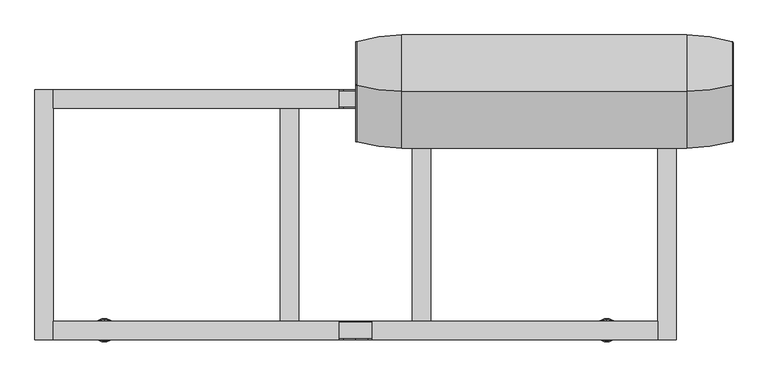
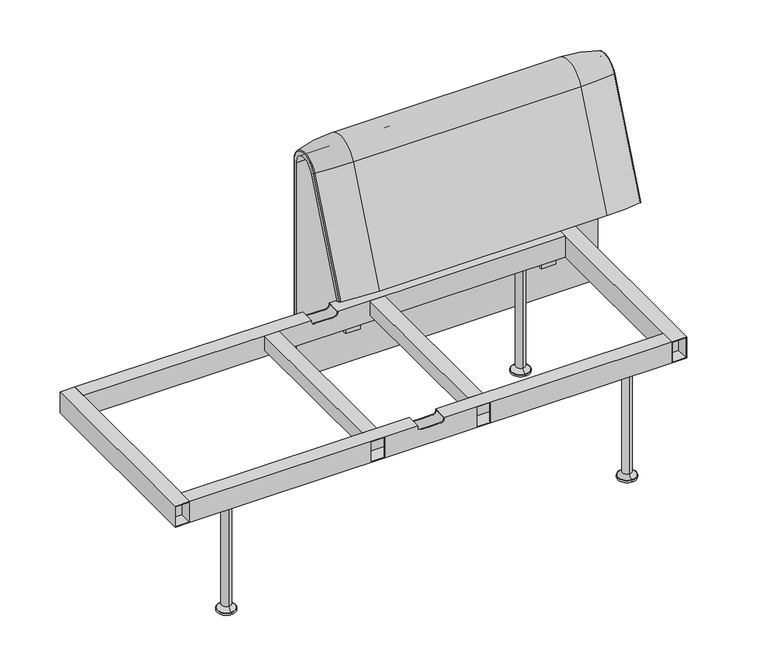
"""IFC4 building model written with IfcOpenShell, lengths in millimetres: furniture geometry."""

from ifc_helpers import new_model, si_unit, point, frame, frame_2d, origin, place, context, project, spatial, polyline, circle_curve, ellipse_curve, trimmed, segment, composite_curve, outline, extrude, source, transform, mapped, element, save
from ifc_brep_helpers import plane_surface, cylinder_surface, revolved_surface, advanced_brep


def furniture_db82925f(model_context):
    return source(origin(), model_context, "Body", "SolidModel", [
        extrude(outline(composite_curve([segment(trimmed(circle_curve(frame_2d((305.0000061, 379.9223263)), 30.0), [point((305.0000061, 349.9223263))], [point((335.0000061, 379.9223263))], True, "CARTESIAN"), True, "CONTINUOUS"), segment(polyline([(335.0000061, 379.9223263), (335.0000061, 515.0657595)]), True, "CONTINUOUS"), segment(trimmed(circle_curve(frame_2d((305.0000061, 515.0657595)), 30.0), [point((335.0000061, 515.0657595))], [point((316.7219399, 542.6809051))], True, "CARTESIAN"), True, "CONTINUOUS"), segment(polyline([(316.7219399, 542.6809051), (257.4911714, 567.8228747)]), True, "CONTINUOUS"), segment(trimmed(circle_curve(frame_2d((251.6302045, 554.0153019)), 15.0), [point((257.4911714, 567.8228747))], [point((238.0355877, 560.3545758))], True, "CARTESIAN"), True, "CONTINUOUS"), segment(polyline([(238.0355877, 560.3545758), (222.2725218, 526.5505721), (213.7507451, 529.5682915), (296.3054528, 724.0549949)]), True, "CONTINUOUS"), segment(trimmed(circle_curve(frame_2d((322.520748, 712.9272623)), 28.479258), [point((296.3054528, 724.0549949))], [point((351.0000061, 712.9272623))], False, "CARTESIAN"), True, "CONTINUOUS"), segment(polyline([(351.0000061, 712.9272623), (351.0000061, 197.0551771), (343.3075759, 197.0551771), (339.4064861, 271.492405)]), True, "CONTINUOUS"), segment(trimmed(circle_curve(frame_2d((309.4476, 269.9223263)), 30.0), [point((339.4064861, 271.492405))], [point((309.4476, 299.9223263))], True, "CARTESIAN"), True, "CONTINUOUS"), segment(polyline([(309.4476, 299.9223263), (270.0000061, 299.9223263), (270.0000061, 359.9223263), (275.0000061, 359.9223263)]), True, "CONTINUOUS"), segment(trimmed(circle_curve(frame_2d((285.0000061, 359.9223263)), 10.0), [point((275.0000061, 359.9223263))], [point((285.0000061, 349.9223263))], True, "CARTESIAN"), True, "CONTINUOUS"), segment(polyline([(285.0000061, 349.9223263), (305.0000061, 349.9223263)]), True, "CONTINUOUS")], self_intersect=False), holes=[composite_curve([segment(polyline([(337.5000061, 576.3274105), (337.5000061, 716.7072663)]), True, "CONTINUOUS"), segment(trimmed(circle_curve(frame_2d((322.5000061, 716.7072663)), 15.0), [point((337.5000061, 716.7072663))], [point((308.9053893, 723.0465402))], True, "CARTESIAN"), True, "CONTINUOUS"), segment(polyline([(308.9053893, 723.0465402), (253.6256191, 604.4986904)]), True, "CONTINUOUS"), segment(trimmed(circle_curve(frame_2d((271.7517748, 596.0463251)), 20.0), [point((253.6256191, 604.4986904))], [point((265.0756376, 577.1934953))], True, "CARTESIAN"), True, "CONTINUOUS"), segment(polyline([(265.0756376, 577.1934953), (314.1406626, 559.8186587)]), True, "CONTINUOUS"), segment(trimmed(circle_curve(frame_2d((319.9867182, 576.3274105)), 17.5132879), [point((314.1406626, 559.8186587))], [point((337.5000061, 576.3274105))], True, "CARTESIAN"), True, "CONTINUOUS")], self_intersect=False)]), frame((653.0019654, 0.0, 0.0), z_axis=(1.0, 0.0, 0.0), x_axis=(0.0, 1.0, 0.0)), (0.0, 0.0, 1.0), 40.0),
        advanced_brep(
        [(716.0143371, 388.2902376, 100.5089435), (813.8757086, 373.93893, 100.5089435), (816.0143371, 371.0652495, 100.5089435), (816.0143371, 359.7858817, 100.5089435), (0.0, 359.7858817, 100.5089435), (0.0, 371.0652495, 100.5089435), (2.1386285, 373.93893, 100.5089435), (100.0, 388.2902376, 100.5089435), (100.0, 388.2902376, 720.3417731), (716.0143371, 388.2902376, 720.3417731), (813.8757086, 373.93893, 720.3417731), (816.0143371, 371.0652495, 720.3417731), (816.0143371, 282.0164812, 738.0210907), (816.0143371, 159.7723383, 442.2908598), (816.0143371, 170.1962447, 437.9819952), (816.0143371, 292.4403877, 733.7122262), (816.0143371, 359.7858817, 720.3417731), (0.0, 359.7858817, 720.3417731), (716.0143371, 143.8537454, 448.8710282), (100.0, 143.8537454, 448.8710282), (2.1386285, 157.1166065, 443.3886429), (0.0, 159.7723383, 442.2908598), (0.0, 170.1962447, 437.9819952), (813.8757086, 157.1166065, 443.3886429), (716.0143371, 266.0978884, 744.6012592), (100.0, 266.0978884, 744.6012592), (813.8757086, 279.3607494, 739.1188739), (0.0, 292.4403877, 733.7122262), (0.0, 282.0164812, 738.0210907), (0.0, 371.0652495, 720.3417731), (2.1386285, 373.93893, 720.3417731), (2.1386285, 279.3607494, 739.1188739)],
        [
            (0, 1, circle_curve(frame((716.0143371, 47.4569043, 100.5089435), z_axis=(0.0, 0.0, -1.0), x_axis=(0.0, -1.0, 0.0)), 340.8333333)),
            (1, 2, circle_curve(frame((813.0143371, 371.0652495, 100.5089435), z_axis=(0.0, 0.0, -1.0), x_axis=(1.0, 0.0, 0.0)), 3.0)),
            (2, 3),
            (3, 4),
            (4, 5),
            (5, 6, circle_curve(frame((3.0, 371.0652495, 100.5089435), z_axis=(0.0, 0.0, -1.0), x_axis=(-1.0, 0.0, 0.0)), 3.0)),
            (6, 7, circle_curve(frame((100.0, 47.4569043, 100.5089435), z_axis=(0.0, 0.0, -1.0), x_axis=(0.0, -1.0, 0.0)), 340.8333333)),
            (7, 0),
            (7, 8),
            (8, 9),
            (9, 0),
            (9, 10, circle_curve(frame((716.0143371, 47.4569043, 720.3417731), z_axis=(0.0, 0.0, -1.0), x_axis=(0.0, -1.0, 0.0)), 340.8333333)),
            (10, 1),
            (10, 11, circle_curve(frame((813.0143371, 371.0652495, 720.3417731), z_axis=(0.0, 0.0, -1.0), x_axis=(1.0, 0.0, 0.0)), 3.0)),
            (11, 2),
            (11, 12, circle_curve(frame((816.0143371, 324.7858817, 720.3417731), z_axis=(1.0, 0.0, 0.0), x_axis=(0.0, 1.0, 0.0)), 46.2793679)),
            (12, 13),
            (13, 14),
            (14, 15),
            (15, 16, circle_curve(frame((816.0143371, 324.7858817, 720.3417731), z_axis=(-1.0, 0.0, 0.0), x_axis=(0.0, 1.0, 0.0)), 35.0)),
            (16, 3),
            (16, 17),
            (17, 4),
            (18, 19),
            (19, 20, circle_curve(frame((100.0, 458.8372467, 318.6682822), z_axis=(0.0, -0.38201294675155345, -0.9241569717933176), x_axis=(0.0, 0.9241569717933176, -0.38201294675155345)), 340.8333333)),
            (20, 21, circle_curve(frame((3.0, 159.7723383, 442.2908598), z_axis=(0.0, -0.38201294675155345, -0.9241569717933176), x_axis=(-1.0, 0.0, 0.0)), 3.0)),
            (21, 22),
            (22, 14),
            (13, 23, circle_curve(frame((813.0143371, 159.7723383, 442.2908598), z_axis=(0.0, -0.38201294675155345, -0.9241569717933176), x_axis=(1.0, 0.0, 0.0)), 3.0)),
            (23, 18, circle_curve(frame((716.0143371, 458.8372467, 318.6682822), z_axis=(0.0, -0.38201294675155345, -0.9241569717933176), x_axis=(0.0, 0.9241569717933176, -0.38201294675155345)), 340.8333333)),
            (24, 9, circle_curve(frame((716.0143371, 324.7858817, 720.3417731), z_axis=(-1.0, 0.0, 0.0), x_axis=(0.0, 1.0, 0.0)), 63.5043559)),
            (8, 25, circle_curve(frame((100.0, 324.7858817, 720.3417731), z_axis=(1.0, 0.0, 0.0), x_axis=(0.0, 1.0, 0.0)), 63.5043559)),
            (25, 24),
            (26, 10, circle_curve(frame((813.8757086, 324.7858817, 720.3417731), z_axis=(-1.0, 0.0, 0.0), x_axis=(0.0, 1.0, 0.0)), 49.1530483)),
            (24, 26, circle_curve(frame((716.0143371, 581.0813896, 614.3985132), z_axis=(0.0, 0.382012946751556, 0.9241569717933165), x_axis=(0.0, 0.9241569717933165, -0.382012946751556)), 340.8333333)),
            (26, 12, circle_curve(frame((813.0143371, 282.0164812, 738.0210907), z_axis=(0.0, 0.3820129467515552, 0.9241569717933168), x_axis=(1.0, 0.0, 0.0)), 3.0)),
            (27, 17, circle_curve(frame((0.0, 324.7858817, 720.3417731), z_axis=(-1.0, 0.0, 0.0), x_axis=(0.0, 1.0, 0.0)), 35.0)),
            (15, 27),
            (25, 19),
            (18, 24),
            (23, 26),
            (22, 27),
            (21, 28),
            (28, 29, circle_curve(frame((0.0, 324.7858817, 720.3417731), z_axis=(-1.0, 0.0, 0.0), x_axis=(0.0, 1.0, 0.0)), 46.2793679)),
            (29, 5),
            (29, 30, circle_curve(frame((3.0, 371.0652495, 720.3417731), z_axis=(0.0, 0.0, -1.0), x_axis=(-1.0, 0.0, 0.0)), 3.0)),
            (30, 6),
            (30, 8, circle_curve(frame((100.0, 47.4569043, 720.3417731), z_axis=(0.0, 0.0, -1.0), x_axis=(0.0, -1.0, 0.0)), 340.8333333)),
            (31, 30, circle_curve(frame((2.1386285, 324.7858817, 720.3417731), z_axis=(-1.0, 0.0, 0.0), x_axis=(0.0, 1.0, 0.0)), 49.1530483)),
            (28, 31, circle_curve(frame((3.0, 282.0164812, 738.0210907), z_axis=(0.0, 0.3820129467515544, 0.9241569717933172), x_axis=(-1.0, 0.0, 0.0)), 3.0)),
            (31, 25, circle_curve(frame((100.0, 581.0813896, 614.3985132), z_axis=(0.0, 0.3820129467515532, 0.9241569717933177), x_axis=(0.0, 0.9241569717933177, -0.3820129467515532)), 340.8333333)),
            (20, 31),
        ],
        [
            plane_surface(frame((412.7721918, 359.7858817, 100.5089435), z_axis=(0.0, 0.0, -1.0), x_axis=(1.0, 0.0, 0.0))),
            plane_surface(frame((100.0, 388.2902376, 100.5089435), z_axis=(0.0, 1.0, 0.0), x_axis=(0.0, 0.0, 1.0))),
            cylinder_surface(frame((716.0143371, 47.4569043, 100.5089435), z_axis=(0.0, 0.0, -1.0), x_axis=(0.0, -1.0, 0.0)), 340.8333333),
            cylinder_surface(frame((813.0143371, 371.0652495, 100.5089435), z_axis=(0.0, 0.0, -1.0), x_axis=(1.0, 0.0, 0.0)), 3.0),
            plane_surface(frame((816.0143371, 371.0652495, 100.5089435), z_axis=(1.0, 0.0, 0.0), x_axis=(0.0, 0.0, 1.0))),
            plane_surface(frame((816.0143371, 359.7858817, 100.5089435), z_axis=(0.0, -1.0, 0.0), x_axis=(0.0, 0.0, 1.0))),
            plane_surface(frame((412.7721918, 170.1962447, 437.9819952), z_axis=(0.0, -0.38201294675155345, -0.9241569717933176), x_axis=(1.0, 0.0, 0.0))),
            cylinder_surface(frame((412.7721918, 324.7858817, 720.3417731), z_axis=(1.0, 0.0, 0.0), x_axis=(0.0, 1.0, 0.0)), 63.5043559),
            revolved_surface(trimmed(ellipse_curve(frame((716.0143371, 47.4569043, 720.3417731), z_axis=(0.0, 0.0, -1.0), x_axis=(0.0, -1.0, 0.0)), 340.8333333, 340.8333333), [point((716.0143371, 388.2902376, 720.3417731))], [point((813.8757086, 373.93893, 720.3417731))], True, "CARTESIAN"), (412.7721918, 324.7858817, 720.3417731), (1.0, 0.0, 0.0)),
            revolved_surface(trimmed(ellipse_curve(frame((813.0143371, 371.0652495, 720.3417731), z_axis=(0.0, 0.0, -1.0), x_axis=(1.0, 0.0, 0.0)), 3.0, 3.0), [point((813.8757086, 373.93893, 720.3417731))], [point((816.0143371, 371.0652495, 720.3417731))], True, "CARTESIAN"), (412.7721918, 324.7858817, 720.3417731), (1.0, 0.0, 0.0)),
            revolved_surface(polyline([(816.0143371, 359.7858817, 720.3417731), (0.0, 359.7858817, 720.3417731)]), (412.7721918, 324.7858817, 720.3417731), (1.0, 0.0, 0.0)),
            plane_surface(frame((100.0, 266.0978884, 744.6012592), z_axis=(0.0, -0.9241569717933176, 0.38201294675155356), x_axis=(0.0, -0.38201294675155356, -0.9241569717933176))),
            cylinder_surface(frame((716.0143371, 581.0813896, 614.3985132), z_axis=(0.0, 0.38201294675155345, 0.9241569717933176), x_axis=(0.0, 0.9241569717933176, -0.38201294675155345)), 340.8333333),
            cylinder_surface(frame((813.0143371, 282.0164812, 738.0210907), z_axis=(0.0, 0.38201294675155345, 0.9241569717933176), x_axis=(1.0, 0.0, 0.0)), 3.0),
            plane_surface(frame((816.0143371, 292.4403877, 733.7122262), z_axis=(0.0, 0.9241569717933176, -0.38201294675155356), x_axis=(0.0, -0.38201294675155356, -0.9241569717933176))),
            plane_surface(frame((0.0, 359.7858817, 100.5089435), z_axis=(-1.0, 0.0, 0.0), x_axis=(0.0, 0.0, 1.0))),
            cylinder_surface(frame((3.0, 371.0652495, 100.5089435), z_axis=(0.0, 0.0, -1.0), x_axis=(-1.0, 0.0, 0.0)), 3.0),
            cylinder_surface(frame((100.0, 47.4569043, 100.5089435), z_axis=(0.0, 0.0, -1.0), x_axis=(0.0, -1.0, 0.0)), 340.8333333),
            revolved_surface(trimmed(ellipse_curve(frame((3.0, 371.0652495, 720.3417731), z_axis=(0.0, 0.0, -1.0), x_axis=(-1.0, 0.0, 0.0)), 3.0, 3.0), [point((0.0, 371.0652495, 720.3417731))], [point((2.1386285, 373.93893, 720.3417731))], True, "CARTESIAN"), (412.7721918, 324.7858817, 720.3417731), (1.0, 0.0, 0.0)),
            revolved_surface(trimmed(ellipse_curve(frame((100.0, 47.4569043, 720.3417731), z_axis=(0.0, 0.0, -1.0), x_axis=(0.0, -1.0, 0.0)), 340.8333333, 340.8333333), [point((2.1386285, 373.93893, 720.3417731))], [point((100.0, 388.2902376, 720.3417731))], True, "CARTESIAN"), (412.7721918, 324.7858817, 720.3417731), (1.0, 0.0, 0.0)),
            cylinder_surface(frame((3.0, 282.0164812, 738.0210907), z_axis=(0.0, 0.38201294675155345, 0.9241569717933176), x_axis=(-1.0, 0.0, 0.0)), 3.0),
            cylinder_surface(frame((100.0, 581.0813896, 614.3985132), z_axis=(0.0, 0.38201294675155345, 0.9241569717933176), x_axis=(0.0, 0.9241569717933176, -0.38201294675155345)), 340.8333333),
        ],
        [
            (0, [[1, 2, 3, 4, 5, 6, 7, 8]]),
            (1, [[-8, 9, 10, 11]]),
            (2, [[-1, -11, 12, 13]]),
            (3, [[-2, -13, 14, 15]]),
            (4, [[-3, -15, 16, 17, 18, 19, 20, 21]]),
            (5, [[-4, -21, 22, 23]]),
            (6, [[24, 25, 26, 27, 28, -18, 29, 30]]),
            (7, [[31, -10, 32, 33]]),
            (8, [[34, -12, -31, 35]]),
            (9, [[-16, -14, -34, 36]]),
            (10, [[37, -22, -20, 38]]),
            (11, [[-33, 39, -24, 40]]),
            (12, [[-35, -40, -30, 41]]),
            (13, [[-36, -41, -29, -17]]),
            (14, [[-38, -19, -28, 42]]),
            (15, [[-5, -23, -37, -42, -27, 43, 44, 45]]),
            (16, [[-6, -45, 46, 47]]),
            (17, [[-7, -47, 48, -9]]),
            (18, [[49, -46, -44, 50]]),
            (19, [[-32, -48, -49, 51]]),
            (20, [[-50, -43, -26, 52]]),
            (21, [[-51, -52, -25, -39]]),
        ],
    ),
        extrude(outline(composite_curve([segment(trimmed(circle_curve(frame_2d((305.0000061, 379.9223263)), 30.0), [point((305.0000061, 349.9223263))], [point((335.0000061, 379.9223263))], True, "CARTESIAN"), True, "CONTINUOUS"), segment(polyline([(335.0000061, 379.9223263), (335.0000061, 515.0657595)]), True, "CONTINUOUS"), segment(trimmed(circle_curve(frame_2d((305.0000061, 515.0657595)), 30.0), [point((335.0000061, 515.0657595))], [point((316.7219399, 542.6809051))], True, "CARTESIAN"), True, "CONTINUOUS"), segment(polyline([(316.7219399, 542.6809051), (257.4911714, 567.8228747)]), True, "CONTINUOUS"), segment(trimmed(circle_curve(frame_2d((251.6302045, 554.0153019)), 15.0), [point((257.4911714, 567.8228747))], [point((238.0355877, 560.3545758))], True, "CARTESIAN"), True, "CONTINUOUS"), segment(polyline([(238.0355877, 560.3545758), (222.2725218, 526.5505721), (213.7507451, 529.5682915), (296.3054528, 724.0549949)]), True, "CONTINUOUS"), segment(trimmed(circle_curve(frame_2d((322.520748, 712.9272623)), 28.479258), [point((296.3054528, 724.0549949))], [point((351.0000061, 712.9272623))], False, "CARTESIAN"), True, "CONTINUOUS"), segment(polyline([(351.0000061, 712.9272623), (351.0000061, 197.0551771), (343.3075759, 197.0551771), (339.4064861, 271.492405)]), True, "CONTINUOUS"), segment(trimmed(circle_curve(frame_2d((309.4476, 269.9223263)), 30.0), [point((339.4064861, 271.492405))], [point((309.4476, 299.9223263))], True, "CARTESIAN"), True, "CONTINUOUS"), segment(polyline([(309.4476, 299.9223263), (270.0000061, 299.9223263), (270.0000061, 359.9223263), (275.0000061, 359.9223263)]), True, "CONTINUOUS"), segment(trimmed(circle_curve(frame_2d((285.0000061, 359.9223263)), 10.0), [point((275.0000061, 359.9223263))], [point((285.0000061, 349.9223263))], True, "CARTESIAN"), True, "CONTINUOUS"), segment(polyline([(285.0000061, 349.9223263), (305.0000061, 349.9223263)]), True, "CONTINUOUS")], self_intersect=False), holes=[composite_curve([segment(polyline([(337.5000061, 576.3274105), (337.5000061, 716.7072663)]), True, "CONTINUOUS"), segment(trimmed(circle_curve(frame_2d((322.5000061, 716.7072663)), 15.0), [point((337.5000061, 716.7072663))], [point((308.9053893, 723.0465402))], True, "CARTESIAN"), True, "CONTINUOUS"), segment(polyline([(308.9053893, 723.0465402), (253.6256191, 604.4986904)]), True, "CONTINUOUS"), segment(trimmed(circle_curve(frame_2d((271.7517748, 596.0463251)), 20.0), [point((253.6256191, 604.4986904))], [point((265.0756376, 577.1934953))], True, "CARTESIAN"), True, "CONTINUOUS"), segment(polyline([(265.0756376, 577.1934953), (314.1406626, 559.8186587)]), True, "CONTINUOUS"), segment(trimmed(circle_curve(frame_2d((319.9867182, 576.3274105)), 17.5132879), [point((314.1406626, 559.8186587))], [point((337.5000061, 576.3274105))], True, "CARTESIAN"), True, "CONTINUOUS")], self_intersect=False)]), frame((123.0123717, 0.0, 0.0), z_axis=(1.0, 0.0, 0.0), x_axis=(0.0, 1.0, 0.0)), (0.0, 0.0, 1.0), 40.0),
        extrude(outline(polyline([(654.9772215, 236.0000008), (690.9659032, 236.0000008), (690.9659032, 232.0000015), (654.9772215, 232.0000015), (654.9772215, 236.0000008)])), frame((0.0, 0.0, 301.9086098), z_axis=(0.0, 0.0, 1.0), x_axis=(1.0, 0.0, 0.0)), (0.0, 0.0, 1.0), 56.013824),
        extrude(outline(polyline([(654.9772215, -236.0000008), (654.9772215, -232.0000015), (690.9659032, -232.0000015), (690.9659032, -236.0000008), (654.9772215, -236.0000008)])), frame((0.0, 0.0, 301.9086098), z_axis=(0.0, 0.0, 1.0), x_axis=(1.0, 0.0, 0.0)), (0.0, 0.0, 1.0), 56.013824),
        extrude(outline(polyline([(-654.9772215, -236.0000008), (-690.9659032, -236.0000008), (-690.9659032, -232.0000015), (-654.9772215, -232.0000015), (-654.9772215, -236.0000008)])), frame((0.0, 0.0, 301.9086098), z_axis=(0.0, 0.0, 1.0), x_axis=(1.0, 0.0, 0.0)), (0.0, 0.0, 1.0), 56.013824),
        extrude(outline(polyline([(-654.9772215, 236.0000008), (-654.9772215, 232.0000015), (-690.9659032, 232.0000015), (-690.9659032, 236.0000008), (-654.9772215, 236.0000008)])), frame((0.0, 0.0, 301.9086098), z_axis=(0.0, 0.0, 1.0), x_axis=(1.0, 0.0, 0.0)), (0.0, 0.0, 1.0), 56.013824),
        advanced_brep(
        [(0.0, -230.0000056, 346.6346058), (0.0, -232.0000018, 346.6346058), (25.9966488, -232.0000018, 346.6346058), (25.9966488, -230.0000056, 346.6346058), (0.0, -268.0000023, 346.6346058), (0.0, -270.0000061, 346.6346058), (25.9966488, -270.0000061, 346.6346058), (25.9966488, -268.0000023, 346.6346058), (35.9966488, -232.0000018, 356.6346058), (35.9966488, -230.0000056, 356.6346058), (35.9966488, -270.0000061, 356.6346058), (35.9966488, -268.0000023, 356.6346058), (35.9966488, -232.0000018, 357.9224338), (35.9966488, -268.0000023, 357.9224338), (35.9966488, -270.0000061, 359.922434), (35.9966488, -230.0000056, 359.922434), (-35.9966488, -232.0000018, 356.6346058), (-35.9966488, -230.0000056, 356.6346058), (-35.9966488, -230.0000056, 359.922434), (-35.9966488, -270.0000061, 359.922434), (-35.9966488, -270.0000061, 356.6346058), (-35.9966488, -268.0000023, 356.6346058), (-35.9966488, -268.0000023, 357.9224338), (-35.9966488, -232.0000018, 357.9224338), (-25.9966488, -230.0000056, 346.6346058), (-25.9966488, -232.0000018, 346.6346058), (-25.9966488, -268.0000023, 346.6346058), (-25.9966488, -270.0000061, 346.6346058), (652.9916052, -230.0000056, 359.922434), (652.9916052, -270.0000061, 359.922434), (652.9916052, -270.0000061, 299.9223263), (652.9916052, -230.0000056, 299.9223263), (652.9916052, -268.0000023, 301.9086098), (652.9916052, -268.0000023, 357.9224338), (652.9916052, -232.0000018, 357.9224338), (652.9916052, -232.0000018, 301.9086098), (-652.9916052, -230.0000056, 359.922434), (-652.9916052, -230.0000056, 299.9223263), (-652.9916052, -270.0000061, 299.9223263), (-652.9916052, -270.0000061, 359.922434), (-652.9916052, -268.0000023, 301.9086098), (-652.9916052, -232.0000018, 301.9086098), (-652.9916052, -232.0000018, 357.9224338), (-652.9916052, -268.0000023, 357.9224338), (124.9814439, -270.0000061, 357.9224338), (160.9701256, -270.0000061, 357.9224338), (160.9701256, -270.0000061, 301.9086098), (124.9814439, -270.0000061, 301.9086098), (-160.9701256, -270.0000061, 357.9224338), (-124.9814439, -270.0000061, 357.9224338), (-124.9814439, -270.0000061, 301.9086098), (-160.9701256, -270.0000061, 301.9086098), (-160.9701256, -268.0000023, 301.9086098), (-124.9814439, -268.0000023, 301.9086098), (124.9814439, -268.0000023, 301.9086098), (160.9701256, -268.0000023, 301.9086098), (160.9701256, -268.0000023, 357.9224338), (124.9814439, -268.0000023, 357.9224338), (-124.9814439, -268.0000023, 357.9224338), (-160.9701256, -268.0000023, 357.9224338)],
        [
            (0, 1),
            (1, 2),
            (2, 3),
            (3, 0),
            (4, 5),
            (5, 6),
            (6, 7),
            (7, 4),
            (2, 8, circle_curve(frame((25.9966488, -232.0000018, 356.6346058), z_axis=(0.0, -1.0, 0.0), x_axis=(-1.0, 0.0, 0.0)), 10.0)),
            (8, 9),
            (9, 3, circle_curve(frame((25.9966488, -230.0000056, 356.6346058), z_axis=(0.0, 1.0, 0.0), x_axis=(-1.0, 0.0, 0.0)), 10.0)),
            (6, 10, circle_curve(frame((25.9966488, -270.0000061, 356.6346058), z_axis=(0.0, -1.0, 0.0), x_axis=(-1.0, 0.0, 0.0)), 10.0)),
            (10, 11),
            (11, 7, circle_curve(frame((25.9966488, -268.0000023, 356.6346058), z_axis=(0.0, 1.0, 0.0), x_axis=(-1.0, 0.0, 0.0)), 10.0)),
            (8, 12),
            (12, 13),
            (13, 11),
            (10, 14),
            (14, 15),
            (15, 9),
            (16, 17),
            (17, 18),
            (18, 19),
            (19, 20),
            (20, 21),
            (21, 22),
            (22, 23),
            (23, 16),
            (0, 24),
            (24, 25),
            (25, 1),
            (4, 26),
            (26, 27),
            (27, 5),
            (28, 29),
            (29, 30),
            (30, 31),
            (31, 28),
            (32, 33),
            (33, 34),
            (34, 35),
            (35, 32),
            (36, 37),
            (37, 38),
            (38, 39),
            (39, 36),
            (40, 41),
            (41, 42),
            (42, 43),
            (43, 40),
            (31, 37),
            (36, 18),
            (17, 24, circle_curve(frame((-25.9966488, -230.0000056, 356.6346058), z_axis=(0.0, -1.0, 0.0), x_axis=(1.0, 0.0, 0.0)), 10.0)),
            (15, 28),
            (30, 38),
            (29, 14),
            (27, 20, circle_curve(frame((-25.9966488, -270.0000061, 356.6346058), z_axis=(0.0, 1.0, 0.0), x_axis=(1.0, 0.0, 0.0)), 10.0)),
            (19, 39),
            (44, 45),
            (45, 46),
            (46, 47),
            (47, 44),
            (48, 49),
            (49, 50),
            (50, 51),
            (51, 48),
            (35, 41),
            (40, 52),
            (52, 51),
            (50, 53),
            (53, 54),
            (54, 47),
            (46, 55),
            (55, 32),
            (34, 12),
            (25, 16, circle_curve(frame((-25.9966488, -232.0000018, 356.6346058), z_axis=(0.0, 1.0, 0.0), x_axis=(1.0, 0.0, 0.0)), 10.0)),
            (23, 42),
            (33, 56),
            (56, 45),
            (44, 57),
            (57, 13),
            (22, 58),
            (58, 49),
            (48, 59),
            (59, 43),
            (55, 56),
            (59, 52),
            (57, 54),
            (53, 58),
            (21, 26, circle_curve(frame((-25.9966488, -268.0000023, 356.6346058), z_axis=(0.0, -1.0, 0.0), x_axis=(1.0, 0.0, 0.0)), 10.0)),
        ],
        [
            plane_surface(frame((0.0, -287.5262628, 346.6346058), z_axis=(0.0, 0.0, 1.0), x_axis=(0.0, 1.0, 0.0))),
            revolved_surface(polyline([(15.9966488, -232.0000018, 356.6346058), (15.9966488, -230.00000560000007, 356.6346058)]), (25.9966488, 314.3107458, 356.6346058), (0.0, -1.0, 0.0)),
            revolved_surface(polyline([(15.9966488, -270.0000061, 356.6346058), (15.9966488, -268.00000229999995, 356.6346058)]), (25.9966488, 314.3107458, 356.6346058), (0.0, -1.0, 0.0)),
            plane_surface(frame((35.9966488, -287.5262628, 356.6346058), z_axis=(-1.0, 0.0, 0.0), x_axis=(0.0, 1.0, 0.0))),
            plane_surface(frame((-35.9966488, -287.5262628, 378.869628), z_axis=(1.0, 0.0, 0.0), x_axis=(0.0, 1.0, 0.0))),
            plane_surface(frame((-25.9966488, -287.5262628, 346.6346058), z_axis=(0.0, 0.0, 1.0), x_axis=(0.0, 1.0, 0.0))),
            plane_surface(frame((652.9916052, -270.0000061, 359.922434), z_axis=(1.0, 0.0, 0.0), x_axis=(0.0, -1.0, 0.0))),
            plane_surface(frame((-652.9916052, -270.0000061, 359.922434), z_axis=(-1.0, 0.0, 0.0), x_axis=(0.0, 1.0, 0.0))),
            plane_surface(frame((652.9916052, -230.0000056, 299.9223263), z_axis=(0.0, 1.0, 0.0), x_axis=(-1.0, 0.0, 0.0))),
            plane_surface(frame((652.9916052, -270.0000061, 299.9223263), z_axis=(0.0, 0.0, -1.0), x_axis=(-1.0, 0.0, 0.0))),
            plane_surface(frame((652.9916052, -270.0000061, 359.922434), z_axis=(0.0, -1.0, 0.0), x_axis=(-1.0, 0.0, 0.0))),
            plane_surface(frame((652.9916052, -230.0000056, 359.922434), z_axis=(0.0, 0.0, 1.0), x_axis=(-1.0, 0.0, 0.0))),
            plane_surface(frame((652.9916052, -232.0000018, 301.9086098), z_axis=(0.0, 0.0, 1.0), x_axis=(-1.0, 0.0, 0.0))),
            plane_surface(frame((652.9916052, -232.0000018, 357.9224338), z_axis=(0.0, -1.0, 0.0), x_axis=(-1.0, 0.0, 0.0))),
            plane_surface(frame((652.9916052, -268.0000023, 357.9224338), z_axis=(0.0, 0.0, -1.0), x_axis=(-1.0, 0.0, 0.0))),
            plane_surface(frame((652.9916052, -268.0000023, 301.9086098), z_axis=(0.0, 1.0, 0.0), x_axis=(-1.0, 0.0, 0.0))),
            plane_surface(frame((160.9701256, -282.4008656, 301.9086098), z_axis=(-1.0, 0.0, 0.0), x_axis=(0.0, 1.0, 0.0))),
            plane_surface(frame((124.9814439, -282.4008656, 357.9224338), z_axis=(1.0, 0.0, 0.0), x_axis=(0.0, 1.0, 0.0))),
            plane_surface(frame((-160.9701256, -282.4008656, 357.9224338), z_axis=(1.0, 0.0, 0.0), x_axis=(0.0, 1.0, 0.0))),
            plane_surface(frame((-124.9814439, -282.4008656, 301.9086098), z_axis=(-1.0, 0.0, 0.0), x_axis=(0.0, 1.0, 0.0))),
            revolved_surface(polyline([(-15.9966488, -232.0000018, 356.6346058), (-15.9966488, -230.00000560000007, 356.6346058)]), (-25.9966488, 314.3107458, 356.6346058), (0.0, -1.0, 0.0)),
            revolved_surface(polyline([(-15.9966488, -270.0000061, 356.6346058), (-15.9966488, -268.00000229999995, 356.6346058)]), (-25.9966488, 314.3107458, 356.6346058), (0.0, -1.0, 0.0)),
        ],
        [
            (0, [[1, 2, 3, 4]]),
            (0, [[5, 6, 7, 8]]),
            (1, [[-3, 9, 10, 11]]),
            (2, [[-7, 12, 13, 14]]),
            (3, [[-10, 15, 16, 17, -13, 18, 19, 20]]),
            (4, [[21, 22, 23, 24, 25, 26, 27, 28]]),
            (5, [[-1, 29, 30, 31]]),
            (5, [[-5, 32, 33, 34]]),
            (6, [[35, 36, 37, 38], [39, 40, 41, 42]]),
            (7, [[43, 44, 45, 46], [47, 48, 49, 50]]),
            (8, [[-38, 51, -43, 52, -22, 53, -29, -4, -11, -20, 54]]),
            (9, [[-37, 55, -44, -51]]),
            (10, [[-36, 56, -18, -12, -6, -34, 57, -24, 58, -45, -55], [59, 60, 61, 62], [63, 64, 65, 66]]),
            (11, [[-35, -54, -19, -56]]),
            (11, [[-46, -58, -23, -52]]),
            (12, [[-42, 67, -47, 68, 69, -65, 70, 71, 72, -61, 73, 74]]),
            (13, [[-41, 75, -15, -9, -2, -31, 76, -28, 77, -48, -67]]),
            (14, [[-40, 78, 79, -59, 80, 81, -16, -75]]),
            (14, [[-49, -77, -27, 82, 83, -63, 84, 85]]),
            (15, [[-39, -74, 86, -78]]),
            (15, [[-50, -85, 87, -68]]),
            (15, [[-8, -14, -17, -81, 88, -71, 89, -82, -26, 90, -32]]),
            (16, [[-79, -86, -73, -60]]),
            (17, [[-72, -88, -80, -62]]),
            (18, [[-84, -66, -69, -87]]),
            (19, [[-83, -89, -70, -64]]),
            (20, [[-30, -53, -21, -76]]),
            (21, [[-33, -90, -25, -57]]),
        ],
    ),
        advanced_brep(
        [(652.9916052, 230.0000056, 359.922434), (652.9916052, 230.0000056, 299.9223263), (652.9916052, 270.0000061, 299.9223263), (652.9916052, 270.0000061, 359.922434), (652.9916052, 268.0000023, 301.9086098), (652.9916052, 232.0000018, 301.9086098), (652.9916052, 232.0000018, 357.9224338), (652.9916052, 268.0000023, 357.9224338), (-652.9916052, 230.0000056, 359.922434), (-652.9916052, 270.0000061, 359.922434), (-652.9916052, 270.0000061, 299.9223263), (-652.9916052, 230.0000056, 299.9223263), (-652.9916052, 268.0000023, 301.9086098), (-652.9916052, 268.0000023, 357.9224338), (-652.9916052, 232.0000018, 357.9224338), (-652.9916052, 232.0000018, 301.9086098), (35.9966488, 230.0000056, 359.922434), (35.9966488, 230.0000056, 356.6346058), (25.9966488, 230.0000056, 346.6346058), (0.0, 230.0000056, 346.6346058), (-25.9966488, 230.0000056, 346.6346058), (-35.9966488, 230.0000056, 356.6346058), (-35.9966488, 230.0000056, 359.922434), (-35.9966488, 270.0000061, 359.922434), (-35.9966488, 270.0000061, 356.6346058), (-25.9966488, 270.0000061, 346.6346058), (0.0, 270.0000061, 346.6346058), (25.9966488, 270.0000061, 346.6346058), (35.9966488, 270.0000061, 356.6346058), (35.9966488, 270.0000061, 359.922434), (-124.9814439, 270.0000061, 357.9224338), (-160.9701256, 270.0000061, 357.9224338), (-160.9701256, 270.0000061, 301.9086098), (-124.9814439, 270.0000061, 301.9086098), (160.9701256, 270.0000061, 357.9224338), (124.9814439, 270.0000061, 357.9224338), (124.9814439, 270.0000061, 301.9086098), (160.9701256, 270.0000061, 301.9086098), (0.0, 232.0000018, 346.6346058), (25.9966488, 232.0000018, 346.6346058), (0.0, 268.0000023, 346.6346058), (25.9966488, 268.0000023, 346.6346058), (35.9966488, 232.0000018, 356.6346058), (35.9966488, 268.0000023, 356.6346058), (35.9966488, 268.0000023, 357.9224338), (35.9966488, 232.0000018, 357.9224338), (-35.9966488, 232.0000018, 356.6346058), (-35.9966488, 232.0000018, 357.9224338), (-35.9966488, 268.0000023, 357.9224338), (-35.9966488, 268.0000023, 356.6346058), (-25.9966488, 232.0000018, 346.6346058), (-25.9966488, 268.0000023, 346.6346058), (160.9701256, 268.0000023, 301.9086098), (124.9814439, 268.0000023, 301.9086098), (-124.9814439, 268.0000023, 301.9086098), (-160.9701256, 268.0000023, 301.9086098), (124.9814439, 268.0000023, 357.9224338), (160.9701256, 268.0000023, 357.9224338), (-160.9701256, 268.0000023, 357.9224338), (-124.9814439, 268.0000023, 357.9224338)],
        [
            (0, 1),
            (1, 2),
            (2, 3),
            (3, 0),
            (4, 5),
            (5, 6),
            (6, 7),
            (7, 4),
            (8, 9),
            (9, 10),
            (10, 11),
            (11, 8),
            (12, 13),
            (13, 14),
            (14, 15),
            (15, 12),
            (0, 16),
            (16, 17),
            (17, 18, circle_curve(frame((25.9966488, 230.0000056, 356.6346058), z_axis=(0.0, 1.0, 0.0), x_axis=(-1.0, 0.0, 0.0)), 10.0)),
            (18, 19),
            (19, 20),
            (20, 21, circle_curve(frame((-25.9966488, 230.0000056, 356.6346058), z_axis=(0.0, 1.0, 0.0), x_axis=(1.0, 0.0, 0.0)), 10.0)),
            (21, 22),
            (22, 8),
            (11, 1),
            (10, 2),
            (9, 23),
            (23, 24),
            (24, 25, circle_curve(frame((-25.9966488, 270.0000061, 356.6346058), z_axis=(0.0, -1.0, 0.0), x_axis=(1.0, 0.0, 0.0)), 10.0)),
            (25, 26),
            (26, 27),
            (27, 28, circle_curve(frame((25.9966488, 270.0000061, 356.6346058), z_axis=(0.0, -1.0, 0.0), x_axis=(-1.0, 0.0, 0.0)), 10.0)),
            (28, 29),
            (29, 3),
            (30, 31),
            (31, 32),
            (32, 33),
            (33, 30),
            (34, 35),
            (35, 36),
            (36, 37),
            (37, 34),
            (29, 16),
            (22, 23),
            (38, 19),
            (18, 39),
            (39, 38),
            (26, 40),
            (40, 41),
            (41, 27),
            (17, 42),
            (42, 39, circle_curve(frame((25.9966488, 232.0000018, 356.6346058), z_axis=(0.0, 1.0, 0.0), x_axis=(-1.0, 0.0, 0.0)), 10.0)),
            (41, 43, circle_curve(frame((25.9966488, 268.0000023, 356.6346058), z_axis=(0.0, -1.0, 0.0), x_axis=(-1.0, 0.0, 0.0)), 10.0)),
            (43, 28),
            (43, 44),
            (44, 45),
            (45, 42),
            (21, 46),
            (46, 47),
            (47, 48),
            (48, 49),
            (49, 24),
            (38, 50),
            (50, 20),
            (25, 51),
            (51, 40),
            (4, 52),
            (52, 37),
            (36, 53),
            (53, 54),
            (54, 33),
            (32, 55),
            (55, 12),
            (15, 5),
            (14, 47),
            (46, 50, circle_curve(frame((-25.9966488, 232.0000018, 356.6346058), z_axis=(0.0, -1.0, 0.0), x_axis=(1.0, 0.0, 0.0)), 10.0)),
            (45, 6),
            (44, 56),
            (56, 35),
            (34, 57),
            (57, 7),
            (13, 58),
            (58, 31),
            (30, 59),
            (59, 48),
            (57, 52),
            (55, 58),
            (51, 49, circle_curve(frame((-25.9966488, 268.0000023, 356.6346058), z_axis=(0.0, 1.0, 0.0), x_axis=(1.0, 0.0, 0.0)), 10.0)),
            (59, 54),
            (53, 56),
        ],
        [
            plane_surface(frame((652.9916052, 230.0000056, 319.6891771), z_axis=(1.0, 0.0, 0.0), x_axis=(0.0, 0.0, -1.0))),
            plane_surface(frame((-652.9916052, 230.0000056, 319.6891771), z_axis=(-1.0, 0.0, 0.0), x_axis=(0.0, 0.0, 1.0))),
            plane_surface(frame((652.9916052, 230.0000056, 359.922434), z_axis=(0.0, -1.0, 0.0), x_axis=(-1.0, 0.0, 0.0))),
            plane_surface(frame((652.9916052, 230.0000056, 299.9223263), z_axis=(0.0, 0.0, -1.0), x_axis=(-1.0, 0.0, 0.0))),
            plane_surface(frame((652.9916052, 270.0000061, 299.9223263), z_axis=(0.0, 1.0, 0.0), x_axis=(-1.0, 0.0, 0.0))),
            plane_surface(frame((652.9916052, 270.0000061, 359.922434), z_axis=(0.0, 0.0, 1.0), x_axis=(-1.0, 0.0, 0.0))),
            plane_surface(frame((0.0, -287.5262628, 346.6346058), z_axis=(0.0, 0.0, 1.0), x_axis=(0.0, 1.0, 0.0))),
            revolved_surface(polyline([(15.9966488, 230.0000056, 356.6346058), (15.9966488, 232.0000018, 356.6346058)]), (25.9966488, 314.3107458, 356.6346058), (0.0, -1.0, 0.0)),
            revolved_surface(polyline([(15.9966488, 268.0000023, 356.6346058), (15.9966488, 270.0000061, 356.6346058)]), (25.9966488, 314.3107458, 356.6346058), (0.0, -1.0, 0.0)),
            plane_surface(frame((35.9966488, -287.5262628, 356.6346058), z_axis=(-1.0, 0.0, 0.0), x_axis=(0.0, 1.0, 0.0))),
            plane_surface(frame((-35.9966488, -287.5262628, 378.869628), z_axis=(1.0, 0.0, 0.0), x_axis=(0.0, 1.0, 0.0))),
            plane_surface(frame((-25.9966488, -287.5262628, 346.6346058), z_axis=(0.0, 0.0, 1.0), x_axis=(0.0, 1.0, 0.0))),
            plane_surface(frame((652.9916052, 268.0000023, 301.9086098), z_axis=(0.0, 0.0, 1.0), x_axis=(-1.0, 0.0, 0.0))),
            plane_surface(frame((652.9916052, 232.0000018, 301.9086098), z_axis=(0.0, 1.0, 0.0), x_axis=(-1.0, 0.0, 0.0))),
            plane_surface(frame((652.9916052, 232.0000018, 357.9224338), z_axis=(0.0, 0.0, -1.0), x_axis=(-1.0, 0.0, 0.0))),
            plane_surface(frame((652.9916052, 268.0000023, 357.9224338), z_axis=(0.0, -1.0, 0.0), x_axis=(-1.0, 0.0, 0.0))),
            plane_surface(frame((-160.9701256, 282.4008656, 301.9086098), z_axis=(1.0, 0.0, 0.0), x_axis=(0.0, -1.0, 0.0))),
            plane_surface(frame((-124.9814439, 282.4008656, 357.9224338), z_axis=(-1.0, 0.0, 0.0), x_axis=(0.0, -1.0, 0.0))),
            plane_surface(frame((160.9701256, 282.4008656, 357.9224338), z_axis=(-1.0, 0.0, 0.0), x_axis=(0.0, -1.0, 0.0))),
            plane_surface(frame((124.9814439, 282.4008656, 301.9086098), z_axis=(1.0, 0.0, 0.0), x_axis=(0.0, -1.0, 0.0))),
            revolved_surface(polyline([(-15.9966488, 230.0000056, 356.6346058), (-15.9966488, 232.0000018, 356.6346058)]), (-25.9966488, 314.3107458, 356.6346058), (0.0, -1.0, 0.0)),
            revolved_surface(polyline([(-15.9966488, 268.0000023, 356.6346058), (-15.9966488, 270.0000061, 356.6346058)]), (-25.9966488, 314.3107458, 356.6346058), (0.0, -1.0, 0.0)),
        ],
        [
            (0, [[1, 2, 3, 4], [5, 6, 7, 8]]),
            (1, [[9, 10, 11, 12], [13, 14, 15, 16]]),
            (2, [[-1, 17, 18, 19, 20, 21, 22, 23, 24, -12, 25]]),
            (3, [[-2, -25, -11, 26]]),
            (4, [[-3, -26, -10, 27, 28, 29, 30, 31, 32, 33, 34], [35, 36, 37, 38], [39, 40, 41, 42]]),
            (5, [[-4, -34, 43, -17]]),
            (5, [[-9, -24, 44, -27]]),
            (6, [[45, -20, 46, 47]]),
            (6, [[48, 49, 50, -31]]),
            (7, [[-46, -19, 51, 52]]),
            (8, [[-50, 53, 54, -32]]),
            (9, [[-51, -18, -43, -33, -54, 55, 56, 57]]),
            (10, [[58, 59, 60, 61, 62, -28, -44, -23]]),
            (11, [[-45, 63, 64, -21]]),
            (11, [[-48, -30, 65, 66]]),
            (12, [[-5, 67, 68, -41, 69, 70, 71, -37, 72, 73, -16, 74]]),
            (13, [[-6, -74, -15, 75, -59, 76, -63, -47, -52, -57, 77]]),
            (14, [[-7, -77, -56, 78, 79, -39, 80, 81]]),
            (14, [[-14, 82, 83, -35, 84, 85, -60, -75]]),
            (15, [[-8, -81, 86, -67]]),
            (15, [[-13, -73, 87, -82]]),
            (15, [[-49, -66, 88, -61, -85, 89, -70, 90, -78, -55, -53]]),
            (16, [[-83, -87, -72, -36]]),
            (17, [[-71, -89, -84, -38]]),
            (18, [[-80, -42, -68, -86]]),
            (19, [[-79, -90, -69, -40]]),
            (20, [[-64, -76, -58, -22]]),
            (21, [[-65, -29, -62, -88]]),
        ],
    ),
        extrude(outline(polyline([(359.922434, 652.9916052), (299.9223263, 652.9916052), (299.9223263, 692.9854212), (359.922434, 692.9854212), (359.922434, 652.9916052)]), holes=[polyline([(301.9086098, 690.9659032), (301.9086098, 654.9772215), (357.9224338, 654.9772215), (357.9224338, 690.9659032), (301.9086098, 690.9659032)])]), frame((0.0, -269.9999939, 0.0), z_axis=(0.0, 1.0, 0.0), x_axis=(0.0, 0.0, 1.0)), (0.0, 0.0, 1.0), 540.0),
        extrude(outline(polyline([(359.922434, 122.9958276), (319.6891771, 122.9958276), (319.6891771, 162.9896436), (359.922434, 162.9896436), (359.922434, 122.9958276)]), holes=[polyline([(321.6754606, 160.9701256), (321.6754606, 124.9814439), (357.9224338, 124.9814439), (357.9224338, 160.9701256), (321.6754606, 160.9701256)])]), frame((0.0, -229.9999925, 0.0), z_axis=(0.0, 1.0, 0.0), x_axis=(0.0, 0.0, 1.0)), (0.0, 0.0, 1.0), 459.9999981),
        extrude(outline(polyline([(359.922434, -122.9958276), (359.922434, -162.9896436), (319.6891771, -162.9896436), (319.6891771, -122.9958276), (359.922434, -122.9958276)]), holes=[polyline([(321.6754606, -160.9701256), (357.9224338, -160.9701256), (357.9224338, -124.9814439), (321.6754606, -124.9814439), (321.6754606, -160.9701256)])]), frame((0.0, -229.9999925, 0.0), z_axis=(0.0, 1.0, 0.0), x_axis=(0.0, 0.0, 1.0)), (0.0, 0.0, 1.0), 459.9999981),
        extrude(outline(polyline([(359.922434, -652.9916052), (359.922434, -692.9854212), (299.9223263, -692.9854212), (299.9223263, -652.9916052), (359.922434, -652.9916052)]), holes=[polyline([(301.9086098, -690.9659032), (357.9224338, -690.9659032), (357.9224338, -654.9772215), (301.9086098, -654.9772215), (301.9086098, -690.9659032)])]), frame((0.0, -269.9999939, 0.0), z_axis=(0.0, 1.0, 0.0), x_axis=(0.0, 0.0, 1.0)), (0.0, 0.0, 1.0), 540.0),
        advanced_brep(
        [(542.9813638, 275.0000031, 0.0), (542.9813638, 225.0000031, 0.0), (542.9813638, 250.0000031, 0.0), (542.9813638, 250.0000031, 344.8637637), (542.9813638, 237.5284391, 344.8637637), (542.9813638, 262.4715672, 344.8637637), (542.9813638, 237.5284391, 16.2604994), (542.9813638, 262.4715672, 16.2604994), (542.9813638, 226.770535, 5.5025953), (542.9813638, 273.2294713, 5.5025953), (542.9813638, 225.0000031, 5.5025953), (542.9813638, 275.0000031, 5.5025953)],
        [
            (0, 1, circle_curve(frame((542.9813638, 250.0000031, 0.0), z_axis=(0.0, 0.0, -1.0), x_axis=(0.0, -1.0, 0.0)), 25.0)),
            (1, 2),
            (2, 0),
            (1, 0, circle_curve(frame((542.9813638, 250.0000031, 0.0), z_axis=(0.0, 0.0, -1.0), x_axis=(0.0, -1.0, 0.0)), 25.0)),
            (3, 4),
            (4, 5, circle_curve(frame((542.9813638, 250.0000031, 344.8637637), z_axis=(0.0, 0.0, 1.0), x_axis=(0.0, -1.0, 0.0)), 12.471564)),
            (5, 3),
            (5, 4, circle_curve(frame((542.9813638, 250.0000031, 344.8637637), z_axis=(0.0, 0.0, 1.0), x_axis=(0.0, -1.0, 0.0)), 12.471564)),
            (4, 6),
            (6, 7, circle_curve(frame((542.9813638, 250.0000031, 16.2604994), z_axis=(0.0, 0.0, 1.0), x_axis=(0.0, -1.0, 0.0)), 12.471564)),
            (7, 5),
            (7, 6, circle_curve(frame((542.9813638, 250.0000031, 16.2604994), z_axis=(0.0, 0.0, 1.0), x_axis=(0.0, -1.0, 0.0)), 12.471564)),
            (6, 8, circle_curve(frame((542.9813638, 226.770535, 16.2604994), z_axis=(-1.0, 0.0, 0.0), x_axis=(0.0, -1.0, 0.0)), 10.7579041)),
            (8, 9, circle_curve(frame((542.9813638, 250.0000031, 5.5025953), z_axis=(0.0, 0.0, 1.0), x_axis=(0.0, -1.0, 0.0)), 23.2294681)),
            (9, 7, circle_curve(frame((542.9813638, 273.2294713, 16.2604994), z_axis=(-1.0, 0.0, 0.0), x_axis=(0.0, 1.0, 0.0)), 10.7579041)),
            (9, 8, circle_curve(frame((542.9813638, 250.0000031, 5.5025953), z_axis=(0.0, 0.0, 1.0), x_axis=(0.0, -1.0, 0.0)), 23.2294681)),
            (8, 10),
            (10, 11, circle_curve(frame((542.9813638, 250.0000031, 5.5025953), z_axis=(0.0, 0.0, 1.0), x_axis=(0.0, -1.0, 0.0)), 25.0)),
            (11, 9),
            (11, 10, circle_curve(frame((542.9813638, 250.0000031, 5.5025953), z_axis=(0.0, 0.0, 1.0), x_axis=(0.0, -1.0, 0.0)), 25.0)),
            (10, 1),
            (0, 11),
        ],
        [
            plane_surface(frame((542.9813638, 250.0000031, 0.0), z_axis=(0.0, 0.0, -1.0), x_axis=(0.0, -1.0, 0.0))),
            plane_surface(frame((542.9813638, 250.0000031, 344.8637637), z_axis=(0.0, 0.0, 1.0), x_axis=(0.0, -1.0, 0.0))),
            cylinder_surface(frame((542.9813638, 250.0000031, 344.8637637), z_axis=(0.0, 0.0, 1.0), x_axis=(0.0, -1.0, 0.0)), 12.471564),
            revolved_surface(trimmed(ellipse_curve(frame((542.9813638, 226.770535, 16.2604994), z_axis=(1.0, 0.0, 0.0), x_axis=(0.0, -1.0, 0.0)), 10.7579041, 10.7579041), [point((542.9813638, 226.770535, 5.5025953))], [point((542.9813638, 237.5284391, 16.2604994))], True, "CARTESIAN"), (542.9813638, 250.0000031, 344.8637637), (0.0, 0.0, 1.0)),
            plane_surface(frame((542.9813638, 250.0000031, 5.5025953), z_axis=(0.0, 0.0, 1.0), x_axis=(0.0, -1.0, 0.0))),
            cylinder_surface(frame((542.9813638, 250.0000031, 344.8637637), z_axis=(0.0, 0.0, 1.0), x_axis=(0.0, -1.0, 0.0)), 25.0),
        ],
        [
            (0, [[1, 2, 3]]),
            (0, [[4, -3, -2]]),
            (1, [[5, 6, 7]]),
            (1, [[-7, 8, -5]]),
            (2, [[-6, 9, 10, 11]]),
            (2, [[-8, -11, 12, -9]]),
            (3, [[-10, 13, 14, 15]]),
            (3, [[-12, -15, 16, -13]]),
            (4, [[-14, 17, 18, 19]]),
            (4, [[-16, -19, 20, -17]]),
            (5, [[-18, 21, -1, 22]]),
            (5, [[-20, -22, -4, -21]]),
        ],
    ),
        advanced_brep(
        [(542.9813638, -250.0000031, 0.0), (542.9813638, -225.0000031, 0.0), (542.9813638, -275.0000031, 0.0), (542.9813638, -262.4715672, 344.8637637), (542.9813638, -237.5284391, 344.8637637), (542.9813638, -250.0000031, 344.8637637), (542.9813638, -262.4715672, 16.2604994), (542.9813638, -237.5284391, 16.2604994), (542.9813638, -273.2294713, 5.5025953), (542.9813638, -226.770535, 5.5025953), (542.9813638, -275.0000031, 5.5025953), (542.9813638, -225.0000031, 5.5025953)],
        [
            (0, 1),
            (1, 2, circle_curve(frame((542.9813638, -250.0000031, 0.0), z_axis=(0.0, 0.0, -1.0), x_axis=(0.0, 1.0, 0.0)), 25.0)),
            (2, 0),
            (2, 1, circle_curve(frame((542.9813638, -250.0000031, 0.0), z_axis=(0.0, 0.0, -1.0), x_axis=(0.0, 1.0, 0.0)), 25.0)),
            (3, 4, circle_curve(frame((542.9813638, -250.0000031, 344.8637637), z_axis=(0.0, 0.0, 1.0), x_axis=(0.0, 1.0, 0.0)), 12.471564)),
            (4, 5),
            (5, 3),
            (4, 3, circle_curve(frame((542.9813638, -250.0000031, 344.8637637), z_axis=(0.0, 0.0, 1.0), x_axis=(0.0, 1.0, 0.0)), 12.471564)),
            (6, 7, circle_curve(frame((542.9813638, -250.0000031, 16.2604994), z_axis=(0.0, 0.0, 1.0), x_axis=(0.0, 1.0, 0.0)), 12.471564)),
            (7, 4),
            (3, 6),
            (7, 6, circle_curve(frame((542.9813638, -250.0000031, 16.2604994), z_axis=(0.0, 0.0, 1.0), x_axis=(0.0, 1.0, 0.0)), 12.471564)),
            (8, 9, circle_curve(frame((542.9813638, -250.0000031, 5.5025953), z_axis=(0.0, 0.0, 1.0), x_axis=(0.0, 1.0, 0.0)), 23.2294681)),
            (9, 7, circle_curve(frame((542.9813638, -226.770535, 16.2604994), z_axis=(-1.0, 0.0, 0.0), x_axis=(0.0, 1.0, 0.0)), 10.7579041)),
            (6, 8, circle_curve(frame((542.9813638, -273.2294713, 16.2604994), z_axis=(-1.0, 0.0, 0.0), x_axis=(0.0, -1.0, 0.0)), 10.7579041)),
            (9, 8, circle_curve(frame((542.9813638, -250.0000031, 5.5025953), z_axis=(0.0, 0.0, 1.0), x_axis=(0.0, 1.0, 0.0)), 23.2294681)),
            (10, 11, circle_curve(frame((542.9813638, -250.0000031, 5.5025953), z_axis=(0.0, 0.0, 1.0), x_axis=(0.0, 1.0, 0.0)), 25.0)),
            (11, 9),
            (8, 10),
            (11, 10, circle_curve(frame((542.9813638, -250.0000031, 5.5025953), z_axis=(0.0, 0.0, 1.0), x_axis=(0.0, 1.0, 0.0)), 25.0)),
            (1, 11),
            (10, 2),
        ],
        [
            plane_surface(frame((542.9813638, -250.0000031, 0.0), z_axis=(0.0, 0.0, -1.0), x_axis=(0.0, 1.0, 0.0))),
            plane_surface(frame((542.9813638, -250.0000031, 344.8637637), z_axis=(0.0, 0.0, 1.0), x_axis=(0.0, 1.0, 0.0))),
            cylinder_surface(frame((542.9813638, -250.0000031, 344.8637637), z_axis=(0.0, 0.0, -1.0), x_axis=(0.0, 1.0, 0.0)), 12.471564),
            revolved_surface(trimmed(ellipse_curve(frame((542.9813638, -226.770535, 16.2604994), z_axis=(1.0, 0.0, 0.0), x_axis=(0.0, 1.0, 0.0)), 10.7579041, 10.7579041), [point((542.9813638, -237.5284391, 16.2604994))], [point((542.9813638, -226.770535, 5.5025953))], True, "CARTESIAN"), (542.9813638, -250.0000031, 344.8637637), (0.0, 0.0, -1.0)),
            plane_surface(frame((542.9813638, -250.0000031, 5.5025953), z_axis=(0.0, 0.0, 1.0), x_axis=(0.0, 1.0, 0.0))),
            cylinder_surface(frame((542.9813638, -250.0000031, 344.8637637), z_axis=(0.0, 0.0, -1.0), x_axis=(0.0, 1.0, 0.0)), 25.0),
        ],
        [
            (0, [[1, 2, 3]]),
            (0, [[-3, 4, -1]]),
            (1, [[5, 6, 7]]),
            (1, [[8, -7, -6]]),
            (2, [[9, 10, -5, 11]]),
            (2, [[12, -11, -8, -10]]),
            (3, [[13, 14, -9, 15]]),
            (3, [[16, -15, -12, -14]]),
            (4, [[17, 18, -13, 19]]),
            (4, [[20, -19, -16, -18]]),
            (5, [[-2, 21, -17, 22]]),
            (5, [[-4, -22, -20, -21]]),
        ],
    ),
        advanced_brep(
        [(-542.9813638, -275.0000031, 0.0), (-542.9813638, -225.0000031, 0.0), (-542.9813638, -250.0000031, 0.0), (-542.9813638, -250.0000031, 344.8637637), (-542.9813638, -237.5284391, 344.8637637), (-542.9813638, -262.4715672, 344.8637637), (-542.9813638, -237.5284391, 16.2604994), (-542.9813638, -262.4715672, 16.2604994), (-542.9813638, -226.770535, 5.5025953), (-542.9813638, -273.2294713, 5.5025953), (-542.9813638, -225.0000031, 5.5025953), (-542.9813638, -275.0000031, 5.5025953)],
        [
            (0, 1, circle_curve(frame((-542.9813638, -250.0000031, 0.0), z_axis=(0.0, 0.0, -1.0), x_axis=(0.0, 1.0, 0.0)), 25.0)),
            (1, 2),
            (2, 0),
            (1, 0, circle_curve(frame((-542.9813638, -250.0000031, 0.0), z_axis=(0.0, 0.0, -1.0), x_axis=(0.0, 1.0, 0.0)), 25.0)),
            (3, 4),
            (4, 5, circle_curve(frame((-542.9813638, -250.0000031, 344.8637637), z_axis=(0.0, 0.0, 1.0), x_axis=(0.0, 1.0, 0.0)), 12.471564)),
            (5, 3),
            (5, 4, circle_curve(frame((-542.9813638, -250.0000031, 344.8637637), z_axis=(0.0, 0.0, 1.0), x_axis=(0.0, 1.0, 0.0)), 12.471564)),
            (4, 6),
            (6, 7, circle_curve(frame((-542.9813638, -250.0000031, 16.2604994), z_axis=(0.0, 0.0, 1.0), x_axis=(0.0, 1.0, 0.0)), 12.471564)),
            (7, 5),
            (7, 6, circle_curve(frame((-542.9813638, -250.0000031, 16.2604994), z_axis=(0.0, 0.0, 1.0), x_axis=(0.0, 1.0, 0.0)), 12.471564)),
            (6, 8, circle_curve(frame((-542.9813638, -226.770535, 16.2604994), z_axis=(1.0, 0.0, 0.0), x_axis=(0.0, 1.0, 0.0)), 10.7579041)),
            (8, 9, circle_curve(frame((-542.9813638, -250.0000031, 5.5025953), z_axis=(0.0, 0.0, 1.0), x_axis=(0.0, 1.0, 0.0)), 23.2294681)),
            (9, 7, circle_curve(frame((-542.9813638, -273.2294713, 16.2604994), z_axis=(1.0, 0.0, 0.0), x_axis=(0.0, -1.0, 0.0)), 10.7579041)),
            (9, 8, circle_curve(frame((-542.9813638, -250.0000031, 5.5025953), z_axis=(0.0, 0.0, 1.0), x_axis=(0.0, 1.0, 0.0)), 23.2294681)),
            (8, 10),
            (10, 11, circle_curve(frame((-542.9813638, -250.0000031, 5.5025953), z_axis=(0.0, 0.0, 1.0), x_axis=(0.0, 1.0, 0.0)), 25.0)),
            (11, 9),
            (11, 10, circle_curve(frame((-542.9813638, -250.0000031, 5.5025953), z_axis=(0.0, 0.0, 1.0), x_axis=(0.0, 1.0, 0.0)), 25.0)),
            (10, 1),
            (0, 11),
        ],
        [
            plane_surface(frame((-542.9813638, -250.0000031, 0.0), z_axis=(0.0, 0.0, -1.0), x_axis=(0.0, 1.0, 0.0))),
            plane_surface(frame((-542.9813638, -250.0000031, 344.8637637), z_axis=(0.0, 0.0, 1.0), x_axis=(0.0, 1.0, 0.0))),
            cylinder_surface(frame((-542.9813638, -250.0000031, 344.8637637), z_axis=(0.0, 0.0, 1.0), x_axis=(0.0, 1.0, 0.0)), 12.471564),
            revolved_surface(trimmed(ellipse_curve(frame((-542.9813638, -226.770535, 16.2604994), z_axis=(-1.0, 0.0, 0.0), x_axis=(0.0, 1.0, 0.0)), 10.7579041, 10.7579041), [point((-542.9813638, -226.770535, 5.5025953))], [point((-542.9813638, -237.5284391, 16.2604994))], True, "CARTESIAN"), (-542.9813638, -250.0000031, 344.8637637), (0.0, 0.0, 1.0)),
            plane_surface(frame((-542.9813638, -250.0000031, 5.5025953), z_axis=(0.0, 0.0, 1.0), x_axis=(0.0, 1.0, 0.0))),
            cylinder_surface(frame((-542.9813638, -250.0000031, 344.8637637), z_axis=(0.0, 0.0, 1.0), x_axis=(0.0, 1.0, 0.0)), 25.0),
        ],
        [
            (0, [[1, 2, 3]]),
            (0, [[4, -3, -2]]),
            (1, [[5, 6, 7]]),
            (1, [[-7, 8, -5]]),
            (2, [[-6, 9, 10, 11]]),
            (2, [[-8, -11, 12, -9]]),
            (3, [[-10, 13, 14, 15]]),
            (3, [[-12, -15, 16, -13]]),
            (4, [[-14, 17, 18, 19]]),
            (4, [[-16, -19, 20, -17]]),
            (5, [[-18, 21, -1, 22]]),
            (5, [[-20, -22, -4, -21]]),
        ],
    ),
    ])


if __name__ == "__main__":
    model = new_model("IFC4")
    model_context = context("Model", 3, world=origin())
    ifc_project = project(units=[si_unit("LENGTHUNIT", "METRE", prefix="MILLI")], contexts=[model_context])
    site = spatial("IfcSite", under=ifc_project)
    building = spatial("IfcBuilding", under=site)
    placement = place(None, origin())
    furniture_shape = furniture_db82925f(model_context)
    element("IfcFurniture", 1, at=placement, inside=building, context=model_context, shape_type="MappedRepresentation", body=[
        mapped(furniture_shape, transform((0.0, 0.0, 0.0), x_axis=(1.0, 0.0, 0.0), y_axis=(0.0, 1.0, 0.0), z_axis=(0.0, 0.0, 1.0))),
    ])
    save(model, "model.ifc")
